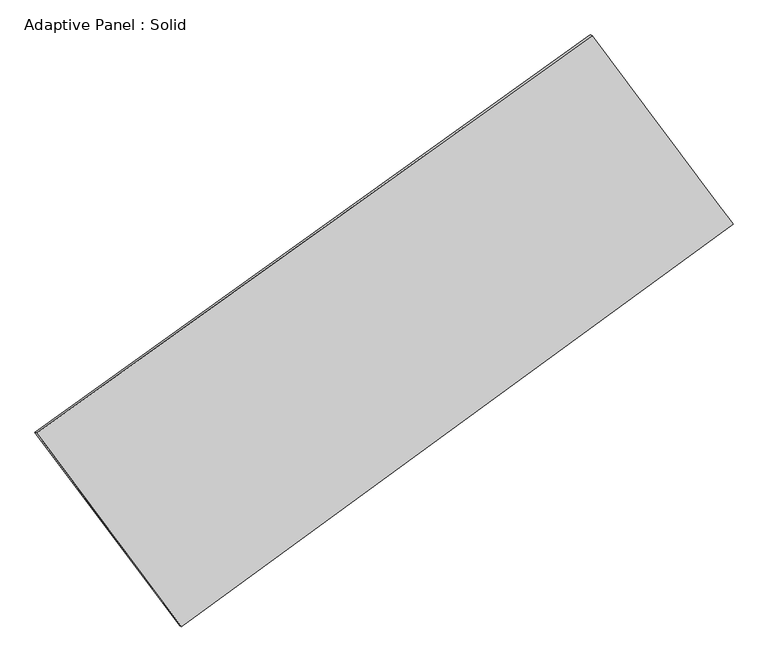
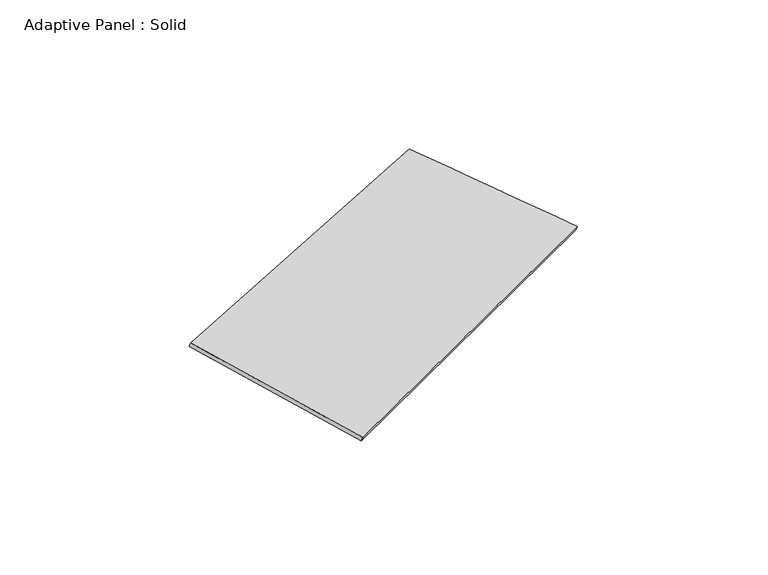
"""IFC4 building model written with IfcOpenShell, lengths in millimetres: plate geometry, Adaptive Panel : Solid."""

from ifc_helpers import new_model, si_unit, frame, origin, place, context, project, spatial, source, transform, mapped, element, save
from ifc_brep_helpers import plane_surface, spline_surface, advanced_brep


def adaptive_panel_solid_387d7222(model_context):
    return source(origin(), model_context, "Body", "AdvancedBrep", [
        advanced_brep(
        [(1125.4576009, 2436.2382985, 612.1224505), (-3657.5840188, -989.903935, 1730.6126618), (-3642.9176629, -996.2840285, 1777.9855698), (1140.1239567, 2429.858205, 659.4953585), (-2411.4285667, -2657.2754286, 1023.3998547), (-2396.7622109, -2663.6555221, 1070.7727627), (2340.2644065, 810.6924924, 118.9875532), (2354.9307623, 804.3123989, 166.3604612)],
        [
            (0, 1),
            (1, 2),
            (2, 3),
            (3, 0),
            (1, 4),
            (4, 5),
            (5, 2),
            (4, 6),
            (6, 7),
            (7, 5),
            (6, 0),
            (3, 7),
        ],
        [
            plane_surface(frame((-1266.0632089, 723.1671817, 1171.3675561), z_axis=(-0.5182562852797239, 0.8115698259464437, 0.26974958828758344), x_axis=(-0.7986507194625074, -0.5720817792044695, 0.18676045139233338))),
            plane_surface(frame((-3034.5062928, -1823.5896818, 1377.0062582), z_axis=(-0.7602917128863825, -0.6319615385656303, 0.15027017365416306), x_axis=(0.5668337350132072, -0.7584305873274073, -0.32168705453776253))),
            plane_surface(frame((-35.5820801, -923.2914681, 571.193704), z_axis=(0.5327420699333205, -0.8010949935964786, -0.27282356598691965), x_axis=(0.79836880815309, 0.5826802008038786, -0.15195732874516565))),
            plane_surface(frame((1732.8610037, 1623.4653954, 365.5550019), z_axis=(0.7684309746964911, 0.6210622571997534, -0.15425793272615906), x_axis=(-0.5816977779314052, 0.7783759351396264, 0.23613258721569483))),
            spline_surface(1, 1, [[(-3642.9176629, -996.2840285, 1777.9855698), (1140.1239567, 2429.858205, 659.4953585)], [(-2396.7622109, -2663.6555221, 1070.7727627), (2354.9307623, 804.3123989, 166.3604612)]], [2, 2], [2, 2], [0.0, 1.0], [0.0, 1.0]),
            spline_surface(1, 1, [[(2340.2644065, 810.6924924, 118.9875532), (1125.4576009, 2436.2382985, 612.1224505)], [(-2411.4285667, -2657.2754286, 1023.3998547), (-3657.5840188, -989.903935, 1730.6126618)]], [2, 2], [2, 2], [0.0, 1.0], [0.0, 1.0]),
        ],
        [
            (0, [[1, 2, 3, 4]]),
            (1, [[5, 6, 7, -2]]),
            (2, [[8, 9, 10, -6]]),
            (3, [[11, -4, 12, -9]]),
            (4, [[-3, -7, -10, -12]]),
            (5, [[-11, -8, -5, -1]]),
        ],
    ),
    ])


if __name__ == "__main__":
    model = new_model("IFC4")
    model_context = context("Model", 3, world=origin())
    ifc_project = project(units=[si_unit("LENGTHUNIT", "METRE", prefix="MILLI")], contexts=[model_context])
    site = spatial("IfcSite", under=ifc_project)
    building = spatial("IfcBuilding", under=site)
    placement = place(None, origin())
    adaptive_panel_solid_shape = adaptive_panel_solid_387d7222(model_context)
    element("IfcPlate", 1, ObjectType="Adaptive Panel : Solid", at=placement, inside=building, context=model_context, shape_type="MappedRepresentation", body=[
        mapped(adaptive_panel_solid_shape, transform((0.0, 0.0, 0.0), x_axis=(1.0, 0.0, 0.0), y_axis=(0.0, 1.0, 0.0), z_axis=(0.0, 0.0, 1.0))),
    ])
    save(model, "model.ifc")
